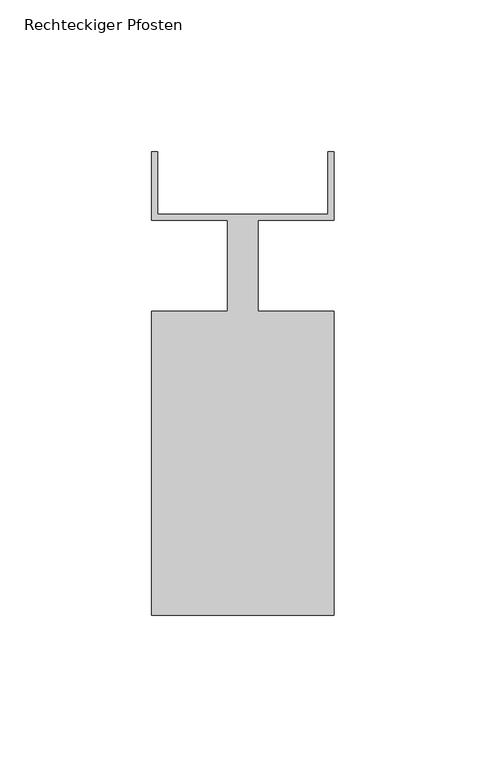
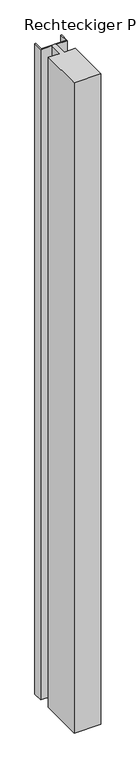
"""IFC4 building model written with IfcOpenShell, lengths in millimetres: member geometry, Rechteckiger Pfosten."""

from ifc_helpers import new_model, si_unit, frame, origin, place, context, project, spatial, polyline, outline, extrude, source, transform, mapped, element, save


def rechteckiger_pfosten_951feb01(model_context):
    return source(origin(), model_context, "Body", "SweptSolid", [
        extrude(outline(polyline([(-2.0, 37.5), (0.0, 37.5), (0.0, 15.0), (-25.0, 15.0), (-25.0, -15.0), (0.0, -15.0), (0.0, -115.0), (-60.0, -115.0), (-60.0, -15.0), (-35.0, -15.0), (-35.0, 15.0), (-60.0, 15.0), (-60.0, 37.5), (-58.0, 37.5), (-58.0, 17.0), (-2.0, 17.0), (-2.0, 37.5)])), frame((0.0, 0.0, -1540.0), z_axis=(0.0, 0.0, 1.0), x_axis=(1.0, 0.0, 0.0)), (0.0, 0.0, 1.0), 1540.0),
    ])


if __name__ == "__main__":
    model = new_model("IFC4")
    model_context = context("Model", 3, world=origin())
    ifc_project = project(units=[si_unit("LENGTHUNIT", "METRE", prefix="MILLI")], contexts=[model_context])
    site = spatial("IfcSite", under=ifc_project)
    building = spatial("IfcBuilding", under=site)
    placement = place(None, origin())
    rechteckiger_pfosten_shape = rechteckiger_pfosten_951feb01(model_context)
    element("IfcMember", 1, ObjectType="Rechteckiger Pfosten", at=placement, inside=building, context=model_context, shape_type="MappedRepresentation", body=[
        mapped(rechteckiger_pfosten_shape, transform((0.0, 0.0, 0.0), x_axis=(1.0, 0.0, 0.0), y_axis=(0.0, 1.0, 0.0), z_axis=(0.0, 0.0, 1.0))),
    ])
    save(model, "model.ifc")
